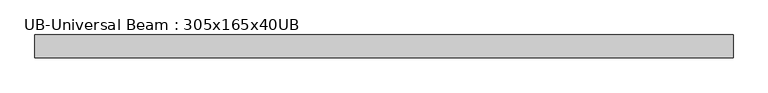
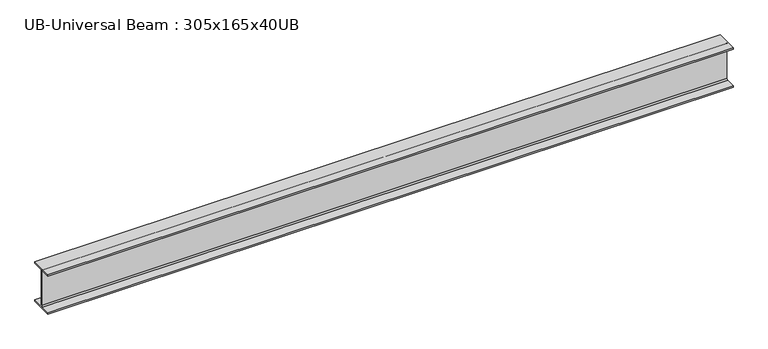
"""IFC4 building model written with IfcOpenShell, lengths in millimetres: beam geometry, UB-Universal Beam : 305x165x40UB."""

from ifc_helpers import new_model, si_unit, point, frame, frame_2d, origin, place, context, project, spatial, polyline, circle_curve, trimmed, segment, composite_curve, outline, extrude, source, transform, mapped, element, save


def ub_universal_beam_305x165x40ub_0cf80d82(model_context):
    return source(origin(), model_context, "Body", "SweptSolid", [
        extrude(outline(composite_curve([segment(polyline([(82.5, -141.5), (82.5, -151.7), (-82.5, -151.7), (-82.5, -141.5), (-11.9, -141.5)]), True, "CONTINUOUS"), segment(trimmed(circle_curve(frame_2d((-11.9, -132.6)), 8.9), [point((-11.9, -141.5))], [point((-3.0, -132.6))], True, "CARTESIAN"), True, "CONTINUOUS"), segment(polyline([(-3.0, -132.6), (-3.0, 132.6)]), True, "CONTINUOUS"), segment(trimmed(circle_curve(frame_2d((-11.9, 132.6)), 8.9), [point((-3.0, 132.6))], [point((-11.9, 141.5))], True, "CARTESIAN"), True, "CONTINUOUS"), segment(polyline([(-11.9, 141.5), (-82.5, 141.5), (-82.5, 151.7), (82.5, 151.7), (82.5, 141.5), (11.9, 141.5)]), True, "CONTINUOUS"), segment(trimmed(circle_curve(frame_2d((11.9, 132.6)), 8.9), [point((11.9, 141.5))], [point((3.0, 132.6))], True, "CARTESIAN"), True, "CONTINUOUS"), segment(polyline([(3.0, 132.6), (3.0, -132.6)]), True, "CONTINUOUS"), segment(trimmed(circle_curve(frame_2d((11.9, -132.6)), 8.9), [point((3.0, -132.6))], [point((11.9, -141.5))], True, "CARTESIAN"), True, "CONTINUOUS"), segment(polyline([(11.9, -141.5), (82.5, -141.5)]), True, "CONTINUOUS")], self_intersect=False)), frame((-2496.1402298, 0.0, 0.0), z_axis=(1.0, 0.0, 0.0), x_axis=(0.0, 1.0, 0.0)), (0.0, 0.0, 1.0), 5006.2567049),
    ])


if __name__ == "__main__":
    model = new_model("IFC4")
    model_context = context("Model", 3, world=origin())
    ifc_project = project(units=[si_unit("LENGTHUNIT", "METRE", prefix="MILLI")], contexts=[model_context])
    site = spatial("IfcSite", under=ifc_project)
    building = spatial("IfcBuilding", under=site)
    placement = place(None, origin())
    ub_universal_beam_305x165x40ub_shape = ub_universal_beam_305x165x40ub_0cf80d82(model_context)
    element("IfcBeam", 1, ObjectType="UB-Universal Beam : 305x165x40UB", at=placement, inside=building, context=model_context, shape_type="MappedRepresentation", body=[
        mapped(ub_universal_beam_305x165x40ub_shape, transform((0.0, 0.0, 0.0), x_axis=(1.0, 0.0, 0.0), y_axis=(0.0, 1.0, 0.0), z_axis=(0.0, 0.0, 1.0))),
    ])
    save(model, "model.ifc")
